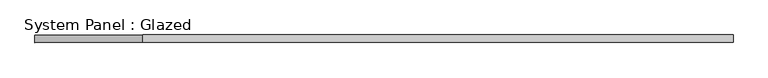
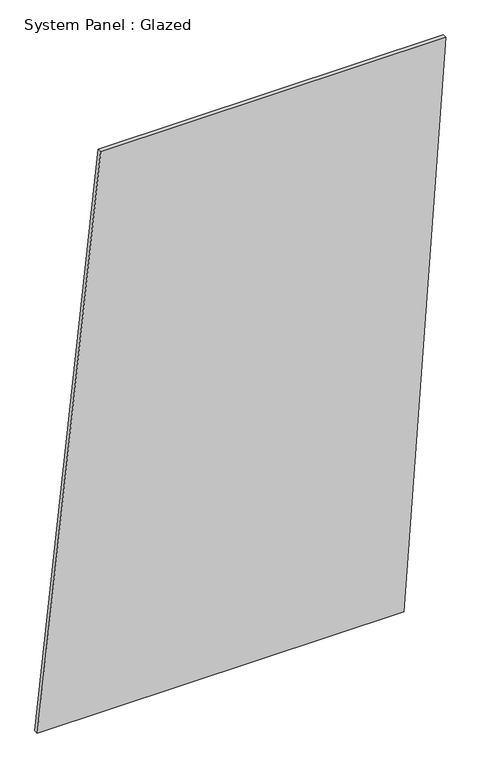
"""IFC4 building model written with IfcOpenShell, lengths in millimetres: plate geometry, System Panel : Glazed."""

from ifc_helpers import new_model, si_unit, frame, origin, place, context, project, spatial, polyline, outline, extrude, source, transform, mapped, element, save


def system_panel_glazed_afe05d87(model_context):
    return source(origin(), model_context, "Body", "SweptSolid", [
        extrude(outline(polyline([(0.0, -1151.0994472), (0.0, 913.7815503), (3334.8902684, 1151.0994472), (3334.8902684, -795.1226019), (0.0, -1151.0994472)])), frame((0.0, -49.5, 0.0), z_axis=(0.0, 1.0, 0.0), x_axis=(0.0, 0.0, 1.0)), (0.0, 0.0, 1.0), 25.0),
    ])


if __name__ == "__main__":
    model = new_model("IFC4")
    model_context = context("Model", 3, world=origin())
    ifc_project = project(units=[si_unit("LENGTHUNIT", "METRE", prefix="MILLI")], contexts=[model_context])
    site = spatial("IfcSite", under=ifc_project)
    building = spatial("IfcBuilding", under=site)
    placement = place(None, origin())
    system_panel_glazed_shape = system_panel_glazed_afe05d87(model_context)
    element("IfcPlate", 1, ObjectType="System Panel : Glazed", at=placement, inside=building, context=model_context, shape_type="MappedRepresentation", body=[
        mapped(system_panel_glazed_shape, transform((0.0, 0.0, 0.0), x_axis=(1.0, 0.0, 0.0), y_axis=(0.0, 1.0, 0.0), z_axis=(0.0, 0.0, 1.0))),
    ])
    save(model, "model.ifc")
